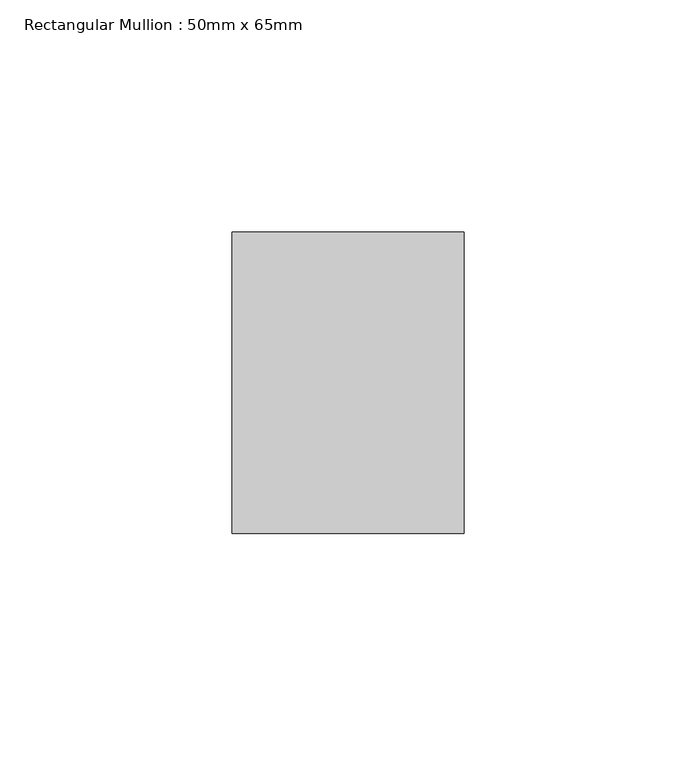
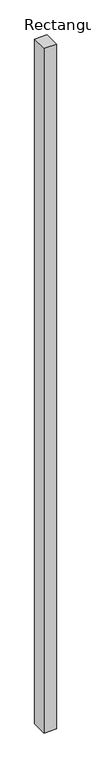
"""IFC4 building model written with IfcOpenShell, lengths in millimetres: member geometry, Rectangular Mullion : 50mm x 65mm."""

from ifc_helpers import new_model, si_unit, frame, origin, place, context, project, spatial, polyline, outline, extrude, source, transform, mapped, element, save


def rectangular_mullion_50mm_x_65mm_a7577bee(model_context):
    return source(origin(), model_context, "Body", "SweptSolid", [
        extrude(outline(polyline([(25.0, 32.5), (25.0, -32.5), (-25.0, -32.5), (-25.0, 32.5), (25.0, 32.5)])), frame((0.0, 0.0, -2924.9807656), z_axis=(0.0, 0.0, 1.0), x_axis=(1.0, 0.0, 0.0)), (0.0, 0.0, 1.0), 2924.9807656),
    ])


if __name__ == "__main__":
    model = new_model("IFC4")
    model_context = context("Model", 3, world=origin())
    ifc_project = project(units=[si_unit("LENGTHUNIT", "METRE", prefix="MILLI")], contexts=[model_context])
    site = spatial("IfcSite", under=ifc_project)
    building = spatial("IfcBuilding", under=site)
    placement = place(None, origin())
    rectangular_mullion_50mm_x_65mm_shape = rectangular_mullion_50mm_x_65mm_a7577bee(model_context)
    element("IfcMember", 1, ObjectType="Rectangular Mullion : 50mm x 65mm", at=placement, inside=building, context=model_context, shape_type="MappedRepresentation", body=[
        mapped(rectangular_mullion_50mm_x_65mm_shape, transform((0.0, 0.0, 0.0), x_axis=(1.0, 0.0, 0.0), y_axis=(0.0, 1.0, 0.0), z_axis=(0.0, 0.0, 1.0))),
    ])
    save(model, "model.ifc")
